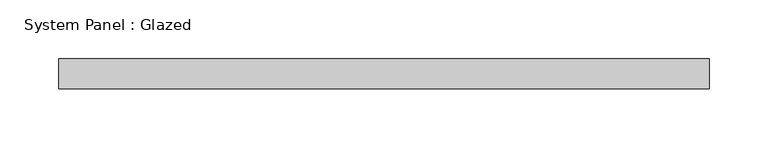
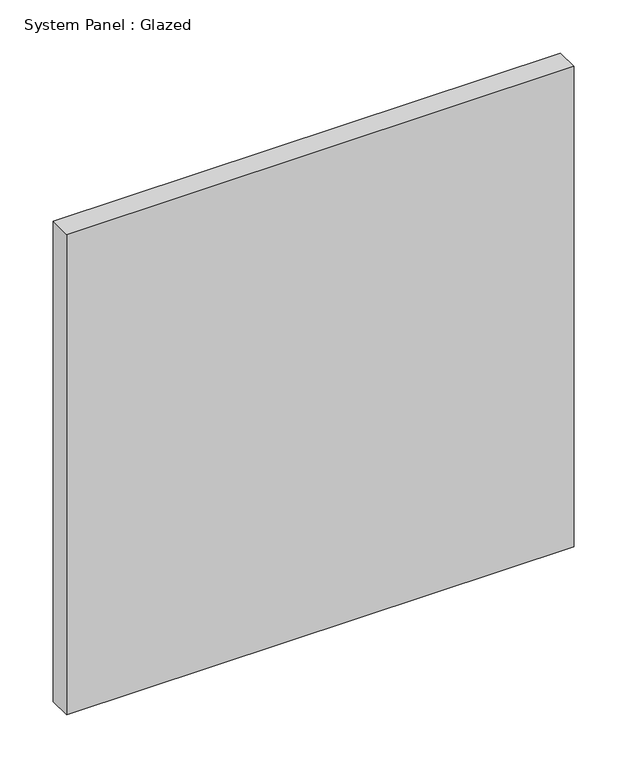
"""IFC4 building model written with IfcOpenShell, lengths in millimetres: plate geometry, System Panel : Glazed."""

import ifcopenshell
import ifcopenshell.guid

model = None  # the IFC model being written
_history = None  # IfcOwnerHistory: only IFC2X3 demands one
_inside = {}  # id of a spatial element -> (the spatial element, [elements in it])
_under = {}  # id of a project, library or spatial element -> (it, [spatial elements below it])
_declared = {}  # id of a project -> (the project, [libraries it declares])
_typed = {}  # id of a type object -> (the type object, [elements of that type])
_made_of = {}  # id of a material, layer set ... -> (it, [elements and type objects made of it])


def new_model(schema):
    """Start an empty IFC model of exactly this schema.

    Asked for "IFC4X3", IfcOpenShell would pick the latest addendum, in which some entities
    have other attributes; the version numbers below select the first issue.
    IFC2X3 requires an IfcOwnerHistory on every rooted entity: one is made here for all.
    """
    global model, _history
    if schema == "IFC4X3":
        model = ifcopenshell.file(schema_version=(4, 3, 0, 0))
    else:
        model = ifcopenshell.file(schema=schema)
    _inside.clear()
    _under.clear()
    _declared.clear()
    _typed.clear()
    _made_of.clear()
    _history = None
    if model.schema == "IFC2X3":
        org = make("IfcOrganization", Name="unknown")
        user = make(
            "IfcPersonAndOrganization",
            ThePerson=make("IfcPerson", FamilyName="unknown"),
            TheOrganization=org,
        )
        app = make(
            "IfcApplication",
            ApplicationDeveloper=org,
            Version="unknown",
            ApplicationFullName="unknown",
            ApplicationIdentifier="unknown",
        )
        _history = make(
            "IfcOwnerHistory",
            OwningUser=user,
            OwningApplication=app,
            ChangeAction="ADDED",
            CreationDate=0,
        )
    return model


def make(cls, **values):
    """One entity of the class cls with the attributes given. An attribute that is None is left unset."""
    return model.create_entity(
        cls, **{name: value for name, value in values.items() if value is not None}
    )


def rooted(cls, **values):
    """An entity with a GlobalId (a new one), such as an element, a storey or a relation."""
    return make(cls, GlobalId=ifcopenshell.guid.new(), OwnerHistory=_history, **values)


def si_unit(unit_type, name, prefix=None):
    """IfcSIUnit, for example si_unit("LENGTHUNIT", "METRE", prefix="MILLI")."""
    return make("IfcSIUnit", UnitType=unit_type, Prefix=prefix, Name=name)


def assignment(units):
    """IfcUnitAssignment: the units of a project."""
    return None if units is None else make("IfcUnitAssignment", Units=units)


def point(xyz):
    """IfcCartesianPoint."""
    return None if xyz is None else make("IfcCartesianPoint", Coordinates=xyz)


def direction(xyz):
    """IfcDirection."""
    return None if xyz is None else make("IfcDirection", DirectionRatios=xyz)


def frame(location, z_axis=None, x_axis=None):
    """IfcAxis2Placement3D, a coordinate frame: its origin and axes. An axis left out is left unset."""
    return make(
        "IfcAxis2Placement3D",
        Location=point(location),
        Axis=direction(z_axis),
        RefDirection=direction(x_axis),
    )


def origin():
    """The frame at (0, 0, 0) with its axes left unset."""
    return frame((0.0, 0.0, 0.0))


def origin_with_axes():
    """The frame at (0, 0, 0) with the z axis (0, 0, 1) and the x axis (1, 0, 0) written out."""
    return frame((0.0, 0.0, 0.0), z_axis=(0.0, 0.0, 1.0), x_axis=(1.0, 0.0, 0.0))


def place(relative_to, where):
    """IfcLocalPlacement: puts the frame where relative to a parent placement (None: the world)."""
    return make(
        "IfcLocalPlacement", PlacementRelTo=relative_to, RelativePlacement=where
    )


def context(
    kind, dimensions, precision=None, world=None, true_north=None, identifier=None
):
    """IfcGeometricRepresentationContext, for example the 3D "Model" context."""
    return make(
        "IfcGeometricRepresentationContext",
        ContextIdentifier=identifier,
        ContextType=kind,
        CoordinateSpaceDimension=dimensions,
        Precision=precision,
        WorldCoordinateSystem=world,
        TrueNorth=true_north,
    )


def project(units=None, contexts=None):
    """IfcProject with its units and contexts."""
    return rooted(
        "IfcProject",
        Name="project",
        RepresentationContexts=contexts,
        UnitsInContext=assignment(units),
    )


def spatial(cls, under=None, at=None, **own):
    """A site, building, storey or space (cls), placed at a placement, below another one or the project."""
    s = rooted(cls, ObjectPlacement=at, **own)
    if under is not None:
        _under.setdefault(under.id(), (under, []))[1].append(s)
    return s


def polyline(points):
    """IfcPolyline through the points."""
    return make("IfcPolyline", Points=[point(p) for p in points])


def outline(outer, holes=None, kind="AREA"):
    """IfcArbitraryClosedProfileDef: a profile drawn as a closed curve; with holes, ...WithVoids."""
    if holes is None:
        return make("IfcArbitraryClosedProfileDef", ProfileType=kind, OuterCurve=outer)
    return make(
        "IfcArbitraryProfileDefWithVoids",
        ProfileType=kind,
        OuterCurve=outer,
        InnerCurves=holes,
    )


def extrude(swept, where, along, depth):
    """IfcExtrudedAreaSolid: the profile swept, set in the frame where, extruded along a direction by depth."""
    return make(
        "IfcExtrudedAreaSolid",
        SweptArea=swept,
        Position=where,
        ExtrudedDirection=direction(along),
        Depth=depth,
    )


def shape(context_of_items, identifier, shape_type, items):
    """IfcShapeRepresentation: the items that make up one representation, for example the "Body"."""
    return make(
        "IfcShapeRepresentation",
        ContextOfItems=context_of_items,
        RepresentationIdentifier=identifier,
        RepresentationType=shape_type,
        Items=items,
    )


def source(mapping_origin, context_of_items, identifier, shape_type, items):
    """IfcRepresentationMap: a shape defined once, which mapped items show again and again."""
    return make(
        "IfcRepresentationMap",
        MappingOrigin=mapping_origin,
        MappedRepresentation=shape(context_of_items, identifier, shape_type, items),
    )


def transform(
    local_origin,
    x_axis=None,
    y_axis=None,
    z_axis=None,
    scale=None,
    scale2=None,
    scale3=None,
    uniform=True,
):
    """IfcCartesianTransformationOperator3D, or its non-uniform kind. x_axis, y_axis, z_axis: its Axis1, 2, 3."""
    if uniform:
        return make(
            "IfcCartesianTransformationOperator3D",
            Axis1=direction(x_axis),
            Axis2=direction(y_axis),
            LocalOrigin=point(local_origin),
            Scale=scale,
            Axis3=direction(z_axis),
        )
    return make(
        "IfcCartesianTransformationOperator3DnonUniform",
        Axis1=direction(x_axis),
        Axis2=direction(y_axis),
        LocalOrigin=point(local_origin),
        Scale=scale,
        Axis3=direction(z_axis),
        Scale2=scale2,
        Scale3=scale3,
    )


def mapped(mapping_source, mapping_target):
    """IfcMappedItem: shows the shape of a source again, moved by a transform."""
    return make(
        "IfcMappedItem", MappingSource=mapping_source, MappingTarget=mapping_target
    )


def made_of(thing, what):
    """Note that an element or type object is made of a material, layer set ...; save() writes the relation."""
    if what is not None:
        _made_of.setdefault(what.id(), (what, []))[1].append(thing)
    return thing


def element(
    cls,
    number,
    at=None,
    inside=None,
    cuts=None,
    type_object=None,
    material=None,
    context=None,
    identifier="Body",
    shape_type=None,
    held_by="IfcProductDefinitionShape",
    body=None,
    shapes=None,
    **own,
):
    """One element of the class cls, such as IfcWall. Its Tag is "e" and its number.

    at: its placement. inside: the storey or other place that contains it. cuts: it is an
    opening in that element (IfcRelVoidsElement). A single representation is given by context,
    identifier, shape_type and body (its items); several are given by shapes. held_by: the class
    of the entity that holds the representations. save() writes the other relations.
    """
    e = rooted(cls, Tag="e%d" % number, ObjectPlacement=at, **own)
    if body is not None:
        shapes = [shape(context, identifier, shape_type, body)]
    if shapes is not None:
        e.Representation = make(held_by, Representations=shapes)
    if inside is not None:
        _inside.setdefault(inside.id(), (inside, []))[1].append(e)
    if cuts is not None:
        rooted(
            "IfcRelVoidsElement", RelatingBuildingElement=cuts, RelatedOpeningElement=e
        )
    if type_object is not None:
        _typed.setdefault(type_object.id(), (type_object, []))[1].append(e)
    return made_of(e, material)


def aggregate(whole, parts):
    """IfcRelAggregates: a whole, such as a stair, and the parts it consists of."""
    return rooted("IfcRelAggregates", RelatingObject=whole, RelatedObjects=parts)


def save(model, path):
    """Write the relations noted so far, then the file.

    IfcRelAggregates (storeys below a building ...), IfcRelContainedInSpatialStructure (elements
    in a storey), IfcRelDefinesByType, IfcRelAssociatesMaterial and IfcRelDeclares: one each for
    every whole, place, type object, material and project.
    """
    for whole, parts in _under.values():
        aggregate(whole, parts)
    for where, things in _inside.values():
        rooted(
            "IfcRelContainedInSpatialStructure",
            RelatedElements=things,
            RelatingStructure=where,
        )
    for kind, things in _typed.values():
        rooted("IfcRelDefinesByType", RelatedObjects=things, RelatingType=kind)
    for what, things in _made_of.values():
        rooted("IfcRelAssociatesMaterial", RelatedObjects=things, RelatingMaterial=what)
    for by, libraries in _declared.values():
        rooted("IfcRelDeclares", RelatingContext=by, RelatedDefinitions=libraries)
    model.write(path)


def system_panel_glazed_2f20b88c(model_context):
    return source(origin(), model_context, "Body", "SweptSolid", [
        extrude(outline(polyline([(276.225, -12.7), (-276.225, -12.7), (-276.225, 12.7), (276.225, 12.7), (276.225, -12.7)])), origin_with_axes(), (0.0, 0.0, 1.0), 552.45),
    ])


if __name__ == "__main__":
    model = new_model("IFC4")
    model_context = context("Model", 3, world=origin())
    ifc_project = project(units=[si_unit("LENGTHUNIT", "METRE", prefix="MILLI")], contexts=[model_context])
    site = spatial("IfcSite", under=ifc_project)
    building = spatial("IfcBuilding", under=site)
    placement = place(None, origin())
    system_panel_glazed_shape = system_panel_glazed_2f20b88c(model_context)
    element("IfcPlate", 1, ObjectType="System Panel : Glazed", at=placement, inside=building, context=model_context, shape_type="MappedRepresentation", body=[
        mapped(system_panel_glazed_shape, transform((0.0, 0.0, 0.0), x_axis=(1.0, 0.0, 0.0), y_axis=(0.0, 1.0, 0.0), z_axis=(0.0, 0.0, 1.0))),
    ])
    save(model, "model.ifc")
